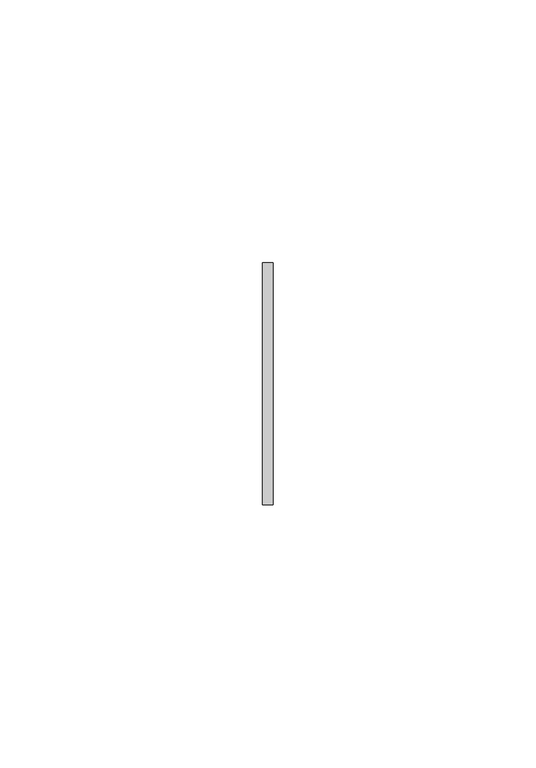
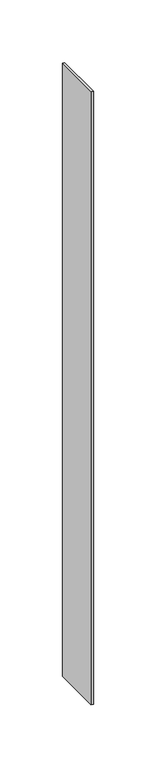
"""IFC4 building model written with IfcOpenShell, lengths in millimetres: member geometry."""

import ifcopenshell
import ifcopenshell.guid

model = None  # the IFC model being written
_history = None  # IfcOwnerHistory: only IFC2X3 demands one
_inside = {}  # id of a spatial element -> (the spatial element, [elements in it])
_under = {}  # id of a project, library or spatial element -> (it, [spatial elements below it])
_declared = {}  # id of a project -> (the project, [libraries it declares])
_typed = {}  # id of a type object -> (the type object, [elements of that type])
_made_of = {}  # id of a material, layer set ... -> (it, [elements and type objects made of it])


def new_model(schema):
    """Start an empty IFC model of exactly this schema.

    Asked for "IFC4X3", IfcOpenShell would pick the latest addendum, in which some entities
    have other attributes; the version numbers below select the first issue.
    IFC2X3 requires an IfcOwnerHistory on every rooted entity: one is made here for all.
    """
    global model, _history
    if schema == "IFC4X3":
        model = ifcopenshell.file(schema_version=(4, 3, 0, 0))
    else:
        model = ifcopenshell.file(schema=schema)
    _inside.clear()
    _under.clear()
    _declared.clear()
    _typed.clear()
    _made_of.clear()
    _history = None
    if model.schema == "IFC2X3":
        org = make("IfcOrganization", Name="unknown")
        user = make(
            "IfcPersonAndOrganization",
            ThePerson=make("IfcPerson", FamilyName="unknown"),
            TheOrganization=org,
        )
        app = make(
            "IfcApplication",
            ApplicationDeveloper=org,
            Version="unknown",
            ApplicationFullName="unknown",
            ApplicationIdentifier="unknown",
        )
        _history = make(
            "IfcOwnerHistory",
            OwningUser=user,
            OwningApplication=app,
            ChangeAction="ADDED",
            CreationDate=0,
        )
    return model


def make(cls, **values):
    """One entity of the class cls with the attributes given. An attribute that is None is left unset."""
    return model.create_entity(
        cls, **{name: value for name, value in values.items() if value is not None}
    )


def rooted(cls, **values):
    """An entity with a GlobalId (a new one), such as an element, a storey or a relation."""
    return make(cls, GlobalId=ifcopenshell.guid.new(), OwnerHistory=_history, **values)


def si_unit(unit_type, name, prefix=None):
    """IfcSIUnit, for example si_unit("LENGTHUNIT", "METRE", prefix="MILLI")."""
    return make("IfcSIUnit", UnitType=unit_type, Prefix=prefix, Name=name)


def assignment(units):
    """IfcUnitAssignment: the units of a project."""
    return None if units is None else make("IfcUnitAssignment", Units=units)


def point(xyz):
    """IfcCartesianPoint."""
    return None if xyz is None else make("IfcCartesianPoint", Coordinates=xyz)


def direction(xyz):
    """IfcDirection."""
    return None if xyz is None else make("IfcDirection", DirectionRatios=xyz)


def frame(location, z_axis=None, x_axis=None):
    """IfcAxis2Placement3D, a coordinate frame: its origin and axes. An axis left out is left unset."""
    return make(
        "IfcAxis2Placement3D",
        Location=point(location),
        Axis=direction(z_axis),
        RefDirection=direction(x_axis),
    )


def origin():
    """The frame at (0, 0, 0) with its axes left unset."""
    return frame((0.0, 0.0, 0.0))


def place(relative_to, where):
    """IfcLocalPlacement: puts the frame where relative to a parent placement (None: the world)."""
    return make(
        "IfcLocalPlacement", PlacementRelTo=relative_to, RelativePlacement=where
    )


def context(
    kind, dimensions, precision=None, world=None, true_north=None, identifier=None
):
    """IfcGeometricRepresentationContext, for example the 3D "Model" context."""
    return make(
        "IfcGeometricRepresentationContext",
        ContextIdentifier=identifier,
        ContextType=kind,
        CoordinateSpaceDimension=dimensions,
        Precision=precision,
        WorldCoordinateSystem=world,
        TrueNorth=true_north,
    )


def project(units=None, contexts=None):
    """IfcProject with its units and contexts."""
    return rooted(
        "IfcProject",
        Name="project",
        RepresentationContexts=contexts,
        UnitsInContext=assignment(units),
    )


def spatial(cls, under=None, at=None, **own):
    """A site, building, storey or space (cls), placed at a placement, below another one or the project."""
    s = rooted(cls, ObjectPlacement=at, **own)
    if under is not None:
        _under.setdefault(under.id(), (under, []))[1].append(s)
    return s


def polyline(points):
    """IfcPolyline through the points."""
    return make("IfcPolyline", Points=[point(p) for p in points])


def outline(outer, holes=None, kind="AREA"):
    """IfcArbitraryClosedProfileDef: a profile drawn as a closed curve; with holes, ...WithVoids."""
    if holes is None:
        return make("IfcArbitraryClosedProfileDef", ProfileType=kind, OuterCurve=outer)
    return make(
        "IfcArbitraryProfileDefWithVoids",
        ProfileType=kind,
        OuterCurve=outer,
        InnerCurves=holes,
    )


def extrude(swept, where, along, depth):
    """IfcExtrudedAreaSolid: the profile swept, set in the frame where, extruded along a direction by depth."""
    return make(
        "IfcExtrudedAreaSolid",
        SweptArea=swept,
        Position=where,
        ExtrudedDirection=direction(along),
        Depth=depth,
    )


def shape(context_of_items, identifier, shape_type, items):
    """IfcShapeRepresentation: the items that make up one representation, for example the "Body"."""
    return make(
        "IfcShapeRepresentation",
        ContextOfItems=context_of_items,
        RepresentationIdentifier=identifier,
        RepresentationType=shape_type,
        Items=items,
    )


def source(mapping_origin, context_of_items, identifier, shape_type, items):
    """IfcRepresentationMap: a shape defined once, which mapped items show again and again."""
    return make(
        "IfcRepresentationMap",
        MappingOrigin=mapping_origin,
        MappedRepresentation=shape(context_of_items, identifier, shape_type, items),
    )


def transform(
    local_origin,
    x_axis=None,
    y_axis=None,
    z_axis=None,
    scale=None,
    scale2=None,
    scale3=None,
    uniform=True,
):
    """IfcCartesianTransformationOperator3D, or its non-uniform kind. x_axis, y_axis, z_axis: its Axis1, 2, 3."""
    if uniform:
        return make(
            "IfcCartesianTransformationOperator3D",
            Axis1=direction(x_axis),
            Axis2=direction(y_axis),
            LocalOrigin=point(local_origin),
            Scale=scale,
            Axis3=direction(z_axis),
        )
    return make(
        "IfcCartesianTransformationOperator3DnonUniform",
        Axis1=direction(x_axis),
        Axis2=direction(y_axis),
        LocalOrigin=point(local_origin),
        Scale=scale,
        Axis3=direction(z_axis),
        Scale2=scale2,
        Scale3=scale3,
    )


def mapped(mapping_source, mapping_target):
    """IfcMappedItem: shows the shape of a source again, moved by a transform."""
    return make(
        "IfcMappedItem", MappingSource=mapping_source, MappingTarget=mapping_target
    )


def made_of(thing, what):
    """Note that an element or type object is made of a material, layer set ...; save() writes the relation."""
    if what is not None:
        _made_of.setdefault(what.id(), (what, []))[1].append(thing)
    return thing


def element(
    cls,
    number,
    at=None,
    inside=None,
    cuts=None,
    type_object=None,
    material=None,
    context=None,
    identifier="Body",
    shape_type=None,
    held_by="IfcProductDefinitionShape",
    body=None,
    shapes=None,
    **own,
):
    """One element of the class cls, such as IfcWall. Its Tag is "e" and its number.

    at: its placement. inside: the storey or other place that contains it. cuts: it is an
    opening in that element (IfcRelVoidsElement). A single representation is given by context,
    identifier, shape_type and body (its items); several are given by shapes. held_by: the class
    of the entity that holds the representations. save() writes the other relations.
    """
    e = rooted(cls, Tag="e%d" % number, ObjectPlacement=at, **own)
    if body is not None:
        shapes = [shape(context, identifier, shape_type, body)]
    if shapes is not None:
        e.Representation = make(held_by, Representations=shapes)
    if inside is not None:
        _inside.setdefault(inside.id(), (inside, []))[1].append(e)
    if cuts is not None:
        rooted(
            "IfcRelVoidsElement", RelatingBuildingElement=cuts, RelatedOpeningElement=e
        )
    if type_object is not None:
        _typed.setdefault(type_object.id(), (type_object, []))[1].append(e)
    return made_of(e, material)


def aggregate(whole, parts):
    """IfcRelAggregates: a whole, such as a stair, and the parts it consists of."""
    return rooted("IfcRelAggregates", RelatingObject=whole, RelatedObjects=parts)


def save(model, path):
    """Write the relations noted so far, then the file.

    IfcRelAggregates (storeys below a building ...), IfcRelContainedInSpatialStructure (elements
    in a storey), IfcRelDefinesByType, IfcRelAssociatesMaterial and IfcRelDeclares: one each for
    every whole, place, type object, material and project.
    """
    for whole, parts in _under.values():
        aggregate(whole, parts)
    for where, things in _inside.values():
        rooted(
            "IfcRelContainedInSpatialStructure",
            RelatedElements=things,
            RelatingStructure=where,
        )
    for kind, things in _typed.values():
        rooted("IfcRelDefinesByType", RelatedObjects=things, RelatingType=kind)
    for what, things in _made_of.values():
        rooted("IfcRelAssociatesMaterial", RelatedObjects=things, RelatingMaterial=what)
    for by, libraries in _declared.values():
        rooted("IfcRelDeclares", RelatingContext=by, RelatedDefinitions=libraries)
    model.write(path)


def member_23dce014(model_context):
    return source(origin(), model_context, "Body", "SweptSolid", [
        extrude(outline(polyline([(1.0, 23.0), (1.0, -23.0), (-1.0, -23.0), (-1.0, 23.0), (1.0, 23.0)])), frame((0.0, 0.0, -598.0), z_axis=(0.0, 0.0, 1.0), x_axis=(1.0, 0.0, 0.0)), (0.0, 0.0, 1.0), 598.0),
    ])


if __name__ == "__main__":
    model = new_model("IFC4")
    model_context = context("Model", 3, world=origin())
    ifc_project = project(units=[si_unit("LENGTHUNIT", "METRE", prefix="MILLI")], contexts=[model_context])
    site = spatial("IfcSite", under=ifc_project)
    building = spatial("IfcBuilding", under=site)
    placement = place(None, origin())
    member_shape = member_23dce014(model_context)
    element("IfcMember", 1, at=placement, inside=building, context=model_context, shape_type="MappedRepresentation", body=[
        mapped(member_shape, transform((0.0, 0.0, 0.0), x_axis=(1.0, 0.0, 0.0), y_axis=(0.0, 1.0, 0.0), z_axis=(0.0, 0.0, 1.0))),
    ])
    save(model, "model.ifc")
